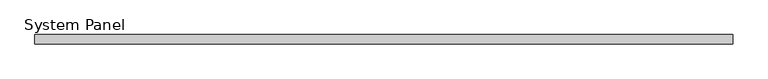
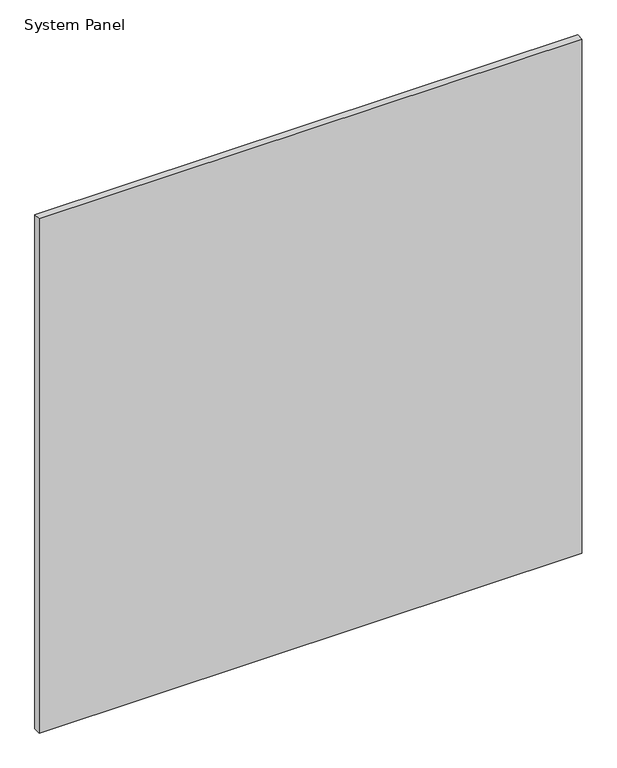
"""IFC4 building model written with IfcOpenShell, lengths in millimetres: plate geometry, System Panel."""

import ifcopenshell
import ifcopenshell.guid

model = None  # the IFC model being written
_history = None  # IfcOwnerHistory: only IFC2X3 demands one
_inside = {}  # id of a spatial element -> (the spatial element, [elements in it])
_under = {}  # id of a project, library or spatial element -> (it, [spatial elements below it])
_declared = {}  # id of a project -> (the project, [libraries it declares])
_typed = {}  # id of a type object -> (the type object, [elements of that type])
_made_of = {}  # id of a material, layer set ... -> (it, [elements and type objects made of it])


def new_model(schema):
    """Start an empty IFC model of exactly this schema.

    Asked for "IFC4X3", IfcOpenShell would pick the latest addendum, in which some entities
    have other attributes; the version numbers below select the first issue.
    IFC2X3 requires an IfcOwnerHistory on every rooted entity: one is made here for all.
    """
    global model, _history
    if schema == "IFC4X3":
        model = ifcopenshell.file(schema_version=(4, 3, 0, 0))
    else:
        model = ifcopenshell.file(schema=schema)
    _inside.clear()
    _under.clear()
    _declared.clear()
    _typed.clear()
    _made_of.clear()
    _history = None
    if model.schema == "IFC2X3":
        org = make("IfcOrganization", Name="unknown")
        user = make(
            "IfcPersonAndOrganization",
            ThePerson=make("IfcPerson", FamilyName="unknown"),
            TheOrganization=org,
        )
        app = make(
            "IfcApplication",
            ApplicationDeveloper=org,
            Version="unknown",
            ApplicationFullName="unknown",
            ApplicationIdentifier="unknown",
        )
        _history = make(
            "IfcOwnerHistory",
            OwningUser=user,
            OwningApplication=app,
            ChangeAction="ADDED",
            CreationDate=0,
        )
    return model


def make(cls, **values):
    """One entity of the class cls with the attributes given. An attribute that is None is left unset."""
    return model.create_entity(
        cls, **{name: value for name, value in values.items() if value is not None}
    )


def rooted(cls, **values):
    """An entity with a GlobalId (a new one), such as an element, a storey or a relation."""
    return make(cls, GlobalId=ifcopenshell.guid.new(), OwnerHistory=_history, **values)


def si_unit(unit_type, name, prefix=None):
    """IfcSIUnit, for example si_unit("LENGTHUNIT", "METRE", prefix="MILLI")."""
    return make("IfcSIUnit", UnitType=unit_type, Prefix=prefix, Name=name)


def assignment(units):
    """IfcUnitAssignment: the units of a project."""
    return None if units is None else make("IfcUnitAssignment", Units=units)


def point(xyz):
    """IfcCartesianPoint."""
    return None if xyz is None else make("IfcCartesianPoint", Coordinates=xyz)


def direction(xyz):
    """IfcDirection."""
    return None if xyz is None else make("IfcDirection", DirectionRatios=xyz)


def frame(location, z_axis=None, x_axis=None):
    """IfcAxis2Placement3D, a coordinate frame: its origin and axes. An axis left out is left unset."""
    return make(
        "IfcAxis2Placement3D",
        Location=point(location),
        Axis=direction(z_axis),
        RefDirection=direction(x_axis),
    )


def origin():
    """The frame at (0, 0, 0) with its axes left unset."""
    return frame((0.0, 0.0, 0.0))


def origin_with_axes():
    """The frame at (0, 0, 0) with the z axis (0, 0, 1) and the x axis (1, 0, 0) written out."""
    return frame((0.0, 0.0, 0.0), z_axis=(0.0, 0.0, 1.0), x_axis=(1.0, 0.0, 0.0))


def place(relative_to, where):
    """IfcLocalPlacement: puts the frame where relative to a parent placement (None: the world)."""
    return make(
        "IfcLocalPlacement", PlacementRelTo=relative_to, RelativePlacement=where
    )


def context(
    kind, dimensions, precision=None, world=None, true_north=None, identifier=None
):
    """IfcGeometricRepresentationContext, for example the 3D "Model" context."""
    return make(
        "IfcGeometricRepresentationContext",
        ContextIdentifier=identifier,
        ContextType=kind,
        CoordinateSpaceDimension=dimensions,
        Precision=precision,
        WorldCoordinateSystem=world,
        TrueNorth=true_north,
    )


def project(units=None, contexts=None):
    """IfcProject with its units and contexts."""
    return rooted(
        "IfcProject",
        Name="project",
        RepresentationContexts=contexts,
        UnitsInContext=assignment(units),
    )


def spatial(cls, under=None, at=None, **own):
    """A site, building, storey or space (cls), placed at a placement, below another one or the project."""
    s = rooted(cls, ObjectPlacement=at, **own)
    if under is not None:
        _under.setdefault(under.id(), (under, []))[1].append(s)
    return s


def polyline(points):
    """IfcPolyline through the points."""
    return make("IfcPolyline", Points=[point(p) for p in points])


def outline(outer, holes=None, kind="AREA"):
    """IfcArbitraryClosedProfileDef: a profile drawn as a closed curve; with holes, ...WithVoids."""
    if holes is None:
        return make("IfcArbitraryClosedProfileDef", ProfileType=kind, OuterCurve=outer)
    return make(
        "IfcArbitraryProfileDefWithVoids",
        ProfileType=kind,
        OuterCurve=outer,
        InnerCurves=holes,
    )


def extrude(swept, where, along, depth):
    """IfcExtrudedAreaSolid: the profile swept, set in the frame where, extruded along a direction by depth."""
    return make(
        "IfcExtrudedAreaSolid",
        SweptArea=swept,
        Position=where,
        ExtrudedDirection=direction(along),
        Depth=depth,
    )


def shape(context_of_items, identifier, shape_type, items):
    """IfcShapeRepresentation: the items that make up one representation, for example the "Body"."""
    return make(
        "IfcShapeRepresentation",
        ContextOfItems=context_of_items,
        RepresentationIdentifier=identifier,
        RepresentationType=shape_type,
        Items=items,
    )


def source(mapping_origin, context_of_items, identifier, shape_type, items):
    """IfcRepresentationMap: a shape defined once, which mapped items show again and again."""
    return make(
        "IfcRepresentationMap",
        MappingOrigin=mapping_origin,
        MappedRepresentation=shape(context_of_items, identifier, shape_type, items),
    )


def transform(
    local_origin,
    x_axis=None,
    y_axis=None,
    z_axis=None,
    scale=None,
    scale2=None,
    scale3=None,
    uniform=True,
):
    """IfcCartesianTransformationOperator3D, or its non-uniform kind. x_axis, y_axis, z_axis: its Axis1, 2, 3."""
    if uniform:
        return make(
            "IfcCartesianTransformationOperator3D",
            Axis1=direction(x_axis),
            Axis2=direction(y_axis),
            LocalOrigin=point(local_origin),
            Scale=scale,
            Axis3=direction(z_axis),
        )
    return make(
        "IfcCartesianTransformationOperator3DnonUniform",
        Axis1=direction(x_axis),
        Axis2=direction(y_axis),
        LocalOrigin=point(local_origin),
        Scale=scale,
        Axis3=direction(z_axis),
        Scale2=scale2,
        Scale3=scale3,
    )


def mapped(mapping_source, mapping_target):
    """IfcMappedItem: shows the shape of a source again, moved by a transform."""
    return make(
        "IfcMappedItem", MappingSource=mapping_source, MappingTarget=mapping_target
    )


def made_of(thing, what):
    """Note that an element or type object is made of a material, layer set ...; save() writes the relation."""
    if what is not None:
        _made_of.setdefault(what.id(), (what, []))[1].append(thing)
    return thing


def element(
    cls,
    number,
    at=None,
    inside=None,
    cuts=None,
    type_object=None,
    material=None,
    context=None,
    identifier="Body",
    shape_type=None,
    held_by="IfcProductDefinitionShape",
    body=None,
    shapes=None,
    **own,
):
    """One element of the class cls, such as IfcWall. Its Tag is "e" and its number.

    at: its placement. inside: the storey or other place that contains it. cuts: it is an
    opening in that element (IfcRelVoidsElement). A single representation is given by context,
    identifier, shape_type and body (its items); several are given by shapes. held_by: the class
    of the entity that holds the representations. save() writes the other relations.
    """
    e = rooted(cls, Tag="e%d" % number, ObjectPlacement=at, **own)
    if body is not None:
        shapes = [shape(context, identifier, shape_type, body)]
    if shapes is not None:
        e.Representation = make(held_by, Representations=shapes)
    if inside is not None:
        _inside.setdefault(inside.id(), (inside, []))[1].append(e)
    if cuts is not None:
        rooted(
            "IfcRelVoidsElement", RelatingBuildingElement=cuts, RelatedOpeningElement=e
        )
    if type_object is not None:
        _typed.setdefault(type_object.id(), (type_object, []))[1].append(e)
    return made_of(e, material)


def aggregate(whole, parts):
    """IfcRelAggregates: a whole, such as a stair, and the parts it consists of."""
    return rooted("IfcRelAggregates", RelatingObject=whole, RelatedObjects=parts)


def save(model, path):
    """Write the relations noted so far, then the file.

    IfcRelAggregates (storeys below a building ...), IfcRelContainedInSpatialStructure (elements
    in a storey), IfcRelDefinesByType, IfcRelAssociatesMaterial and IfcRelDeclares: one each for
    every whole, place, type object, material and project.
    """
    for whole, parts in _under.values():
        aggregate(whole, parts)
    for where, things in _inside.values():
        rooted(
            "IfcRelContainedInSpatialStructure",
            RelatedElements=things,
            RelatingStructure=where,
        )
    for kind, things in _typed.values():
        rooted("IfcRelDefinesByType", RelatedObjects=things, RelatingType=kind)
    for what, things in _made_of.values():
        rooted("IfcRelAssociatesMaterial", RelatedObjects=things, RelatingMaterial=what)
    for by, libraries in _declared.values():
        rooted("IfcRelDeclares", RelatingContext=by, RelatedDefinitions=libraries)
    model.write(path)


def system_panel_02fccd2c(model_context):
    return source(origin(), model_context, "Body", "SweptSolid", [
        extrude(outline(polyline([(595.0, -8.0), (-595.0, -8.0), (-595.0, 8.0), (595.0, 8.0), (595.0, -8.0)])), origin_with_axes(), (0.0, 0.0, 1.0), 1192.5),
    ])


if __name__ == "__main__":
    model = new_model("IFC4")
    model_context = context("Model", 3, world=origin())
    ifc_project = project(units=[si_unit("LENGTHUNIT", "METRE", prefix="MILLI")], contexts=[model_context])
    site = spatial("IfcSite", under=ifc_project)
    building = spatial("IfcBuilding", under=site)
    placement = place(None, origin())
    system_panel_shape = system_panel_02fccd2c(model_context)
    element("IfcPlate", 1, ObjectType="System Panel", at=placement, inside=building, context=model_context, shape_type="MappedRepresentation", body=[
        mapped(system_panel_shape, transform((0.0, 0.0, 0.0), x_axis=(1.0, 0.0, 0.0), y_axis=(0.0, 1.0, 0.0), z_axis=(0.0, 0.0, 1.0))),
    ])
    save(model, "model.ifc")
